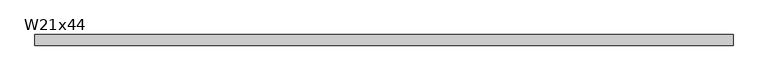
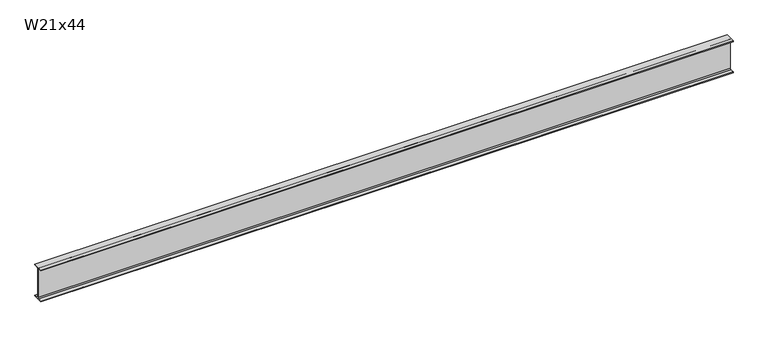
"""IFC4 building model written with IfcOpenShell, lengths in millimetres: beam geometry, W21x44."""

import ifcopenshell
import ifcopenshell.guid

model = None  # the IFC model being written
_history = None  # IfcOwnerHistory: only IFC2X3 demands one
_inside = {}  # id of a spatial element -> (the spatial element, [elements in it])
_under = {}  # id of a project, library or spatial element -> (it, [spatial elements below it])
_declared = {}  # id of a project -> (the project, [libraries it declares])
_typed = {}  # id of a type object -> (the type object, [elements of that type])
_made_of = {}  # id of a material, layer set ... -> (it, [elements and type objects made of it])


def new_model(schema):
    """Start an empty IFC model of exactly this schema.

    Asked for "IFC4X3", IfcOpenShell would pick the latest addendum, in which some entities
    have other attributes; the version numbers below select the first issue.
    IFC2X3 requires an IfcOwnerHistory on every rooted entity: one is made here for all.
    """
    global model, _history
    if schema == "IFC4X3":
        model = ifcopenshell.file(schema_version=(4, 3, 0, 0))
    else:
        model = ifcopenshell.file(schema=schema)
    _inside.clear()
    _under.clear()
    _declared.clear()
    _typed.clear()
    _made_of.clear()
    _history = None
    if model.schema == "IFC2X3":
        org = make("IfcOrganization", Name="unknown")
        user = make(
            "IfcPersonAndOrganization",
            ThePerson=make("IfcPerson", FamilyName="unknown"),
            TheOrganization=org,
        )
        app = make(
            "IfcApplication",
            ApplicationDeveloper=org,
            Version="unknown",
            ApplicationFullName="unknown",
            ApplicationIdentifier="unknown",
        )
        _history = make(
            "IfcOwnerHistory",
            OwningUser=user,
            OwningApplication=app,
            ChangeAction="ADDED",
            CreationDate=0,
        )
    return model


def make(cls, **values):
    """One entity of the class cls with the attributes given. An attribute that is None is left unset."""
    return model.create_entity(
        cls, **{name: value for name, value in values.items() if value is not None}
    )


def rooted(cls, **values):
    """An entity with a GlobalId (a new one), such as an element, a storey or a relation."""
    return make(cls, GlobalId=ifcopenshell.guid.new(), OwnerHistory=_history, **values)


def si_unit(unit_type, name, prefix=None):
    """IfcSIUnit, for example si_unit("LENGTHUNIT", "METRE", prefix="MILLI")."""
    return make("IfcSIUnit", UnitType=unit_type, Prefix=prefix, Name=name)


def assignment(units):
    """IfcUnitAssignment: the units of a project."""
    return None if units is None else make("IfcUnitAssignment", Units=units)


def point(xyz):
    """IfcCartesianPoint."""
    return None if xyz is None else make("IfcCartesianPoint", Coordinates=xyz)


def direction(xyz):
    """IfcDirection."""
    return None if xyz is None else make("IfcDirection", DirectionRatios=xyz)


def frame(location, z_axis=None, x_axis=None):
    """IfcAxis2Placement3D, a coordinate frame: its origin and axes. An axis left out is left unset."""
    return make(
        "IfcAxis2Placement3D",
        Location=point(location),
        Axis=direction(z_axis),
        RefDirection=direction(x_axis),
    )


def frame_2d(location, x_axis=None):
    """IfcAxis2Placement2D, a coordinate frame in the plane: its origin and x axis."""
    return make(
        "IfcAxis2Placement2D", Location=point(location), RefDirection=direction(x_axis)
    )


def origin():
    """The frame at (0, 0, 0) with its axes left unset."""
    return frame((0.0, 0.0, 0.0))


def place(relative_to, where):
    """IfcLocalPlacement: puts the frame where relative to a parent placement (None: the world)."""
    return make(
        "IfcLocalPlacement", PlacementRelTo=relative_to, RelativePlacement=where
    )


def context(
    kind, dimensions, precision=None, world=None, true_north=None, identifier=None
):
    """IfcGeometricRepresentationContext, for example the 3D "Model" context."""
    return make(
        "IfcGeometricRepresentationContext",
        ContextIdentifier=identifier,
        ContextType=kind,
        CoordinateSpaceDimension=dimensions,
        Precision=precision,
        WorldCoordinateSystem=world,
        TrueNorth=true_north,
    )


def project(units=None, contexts=None):
    """IfcProject with its units and contexts."""
    return rooted(
        "IfcProject",
        Name="project",
        RepresentationContexts=contexts,
        UnitsInContext=assignment(units),
    )


def spatial(cls, under=None, at=None, **own):
    """A site, building, storey or space (cls), placed at a placement, below another one or the project."""
    s = rooted(cls, ObjectPlacement=at, **own)
    if under is not None:
        _under.setdefault(under.id(), (under, []))[1].append(s)
    return s


def polyline(points):
    """IfcPolyline through the points."""
    return make("IfcPolyline", Points=[point(p) for p in points])


def circle_curve(where, radius):
    """IfcCircle in the frame where."""
    return make("IfcCircle", Position=where, Radius=radius)


def trimmed(basis, trim1, trim2, sense, master):
    """IfcTrimmedCurve: the piece of a basis curve between two trims."""
    return make(
        "IfcTrimmedCurve",
        BasisCurve=basis,
        Trim1=trim1,
        Trim2=trim2,
        SenseAgreement=sense,
        MasterRepresentation=master,
    )


def segment(curve, same_sense, transition):
    """IfcCompositeCurveSegment."""
    return make(
        "IfcCompositeCurveSegment",
        Transition=transition,
        SameSense=same_sense,
        ParentCurve=curve,
    )


def composite_curve(segments, self_intersect=None):
    """IfcCompositeCurve: segments joined end to end."""
    return make("IfcCompositeCurve", Segments=segments, SelfIntersect=self_intersect)


def outline(outer, holes=None, kind="AREA"):
    """IfcArbitraryClosedProfileDef: a profile drawn as a closed curve; with holes, ...WithVoids."""
    if holes is None:
        return make("IfcArbitraryClosedProfileDef", ProfileType=kind, OuterCurve=outer)
    return make(
        "IfcArbitraryProfileDefWithVoids",
        ProfileType=kind,
        OuterCurve=outer,
        InnerCurves=holes,
    )


def extrude(swept, where, along, depth):
    """IfcExtrudedAreaSolid: the profile swept, set in the frame where, extruded along a direction by depth."""
    return make(
        "IfcExtrudedAreaSolid",
        SweptArea=swept,
        Position=where,
        ExtrudedDirection=direction(along),
        Depth=depth,
    )


def shape(context_of_items, identifier, shape_type, items):
    """IfcShapeRepresentation: the items that make up one representation, for example the "Body"."""
    return make(
        "IfcShapeRepresentation",
        ContextOfItems=context_of_items,
        RepresentationIdentifier=identifier,
        RepresentationType=shape_type,
        Items=items,
    )


def source(mapping_origin, context_of_items, identifier, shape_type, items):
    """IfcRepresentationMap: a shape defined once, which mapped items show again and again."""
    return make(
        "IfcRepresentationMap",
        MappingOrigin=mapping_origin,
        MappedRepresentation=shape(context_of_items, identifier, shape_type, items),
    )


def transform(
    local_origin,
    x_axis=None,
    y_axis=None,
    z_axis=None,
    scale=None,
    scale2=None,
    scale3=None,
    uniform=True,
):
    """IfcCartesianTransformationOperator3D, or its non-uniform kind. x_axis, y_axis, z_axis: its Axis1, 2, 3."""
    if uniform:
        return make(
            "IfcCartesianTransformationOperator3D",
            Axis1=direction(x_axis),
            Axis2=direction(y_axis),
            LocalOrigin=point(local_origin),
            Scale=scale,
            Axis3=direction(z_axis),
        )
    return make(
        "IfcCartesianTransformationOperator3DnonUniform",
        Axis1=direction(x_axis),
        Axis2=direction(y_axis),
        LocalOrigin=point(local_origin),
        Scale=scale,
        Axis3=direction(z_axis),
        Scale2=scale2,
        Scale3=scale3,
    )


def mapped(mapping_source, mapping_target):
    """IfcMappedItem: shows the shape of a source again, moved by a transform."""
    return make(
        "IfcMappedItem", MappingSource=mapping_source, MappingTarget=mapping_target
    )


def made_of(thing, what):
    """Note that an element or type object is made of a material, layer set ...; save() writes the relation."""
    if what is not None:
        _made_of.setdefault(what.id(), (what, []))[1].append(thing)
    return thing


def element(
    cls,
    number,
    at=None,
    inside=None,
    cuts=None,
    type_object=None,
    material=None,
    context=None,
    identifier="Body",
    shape_type=None,
    held_by="IfcProductDefinitionShape",
    body=None,
    shapes=None,
    **own,
):
    """One element of the class cls, such as IfcWall. Its Tag is "e" and its number.

    at: its placement. inside: the storey or other place that contains it. cuts: it is an
    opening in that element (IfcRelVoidsElement). A single representation is given by context,
    identifier, shape_type and body (its items); several are given by shapes. held_by: the class
    of the entity that holds the representations. save() writes the other relations.
    """
    e = rooted(cls, Tag="e%d" % number, ObjectPlacement=at, **own)
    if body is not None:
        shapes = [shape(context, identifier, shape_type, body)]
    if shapes is not None:
        e.Representation = make(held_by, Representations=shapes)
    if inside is not None:
        _inside.setdefault(inside.id(), (inside, []))[1].append(e)
    if cuts is not None:
        rooted(
            "IfcRelVoidsElement", RelatingBuildingElement=cuts, RelatedOpeningElement=e
        )
    if type_object is not None:
        _typed.setdefault(type_object.id(), (type_object, []))[1].append(e)
    return made_of(e, material)


def aggregate(whole, parts):
    """IfcRelAggregates: a whole, such as a stair, and the parts it consists of."""
    return rooted("IfcRelAggregates", RelatingObject=whole, RelatedObjects=parts)


def save(model, path):
    """Write the relations noted so far, then the file.

    IfcRelAggregates (storeys below a building ...), IfcRelContainedInSpatialStructure (elements
    in a storey), IfcRelDefinesByType, IfcRelAssociatesMaterial and IfcRelDeclares: one each for
    every whole, place, type object, material and project.
    """
    for whole, parts in _under.values():
        aggregate(whole, parts)
    for where, things in _inside.values():
        rooted(
            "IfcRelContainedInSpatialStructure",
            RelatedElements=things,
            RelatingStructure=where,
        )
    for kind, things in _typed.values():
        rooted("IfcRelDefinesByType", RelatedObjects=things, RelatingType=kind)
    for what, things in _made_of.values():
        rooted("IfcRelAssociatesMaterial", RelatedObjects=things, RelatingMaterial=what)
    for by, libraries in _declared.values():
        rooted("IfcRelDeclares", RelatingContext=by, RelatedDefinitions=libraries)
    model.write(path)


def w21x44_000ba860(model_context):
    return source(origin(), model_context, "Body", "SweptSolid", [
        extrude(outline(composite_curve([segment(polyline([(82.55, -251.46), (82.55, -262.89), (-82.55, -262.89), (-82.55, -251.46), (-21.59, -251.46)]), True, "CONTINUOUS"), segment(trimmed(circle_curve(frame_2d((-21.59, -234.315)), 17.145), [point((-21.59, -251.46))], [point((-4.445, -234.315))], True, "CARTESIAN"), True, "CONTINUOUS"), segment(polyline([(-4.445, -234.315), (-4.445, 234.315)]), True, "CONTINUOUS"), segment(trimmed(circle_curve(frame_2d((-21.59, 234.315)), 17.145), [point((-4.445, 234.315))], [point((-21.59, 251.46))], True, "CARTESIAN"), True, "CONTINUOUS"), segment(polyline([(-21.59, 251.46), (-82.55, 251.46), (-82.55, 262.89), (82.55, 262.89), (82.55, 251.46), (21.59, 251.46)]), True, "CONTINUOUS"), segment(trimmed(circle_curve(frame_2d((21.59, 234.315)), 17.145), [point((21.59, 251.46))], [point((4.445, 234.315))], True, "CARTESIAN"), True, "CONTINUOUS"), segment(polyline([(4.445, 234.315), (4.445, -234.315)]), True, "CONTINUOUS"), segment(trimmed(circle_curve(frame_2d((21.59, -234.315)), 17.145), [point((4.445, -234.315))], [point((21.59, -251.46))], True, "CARTESIAN"), True, "CONTINUOUS"), segment(polyline([(21.59, -251.46), (82.55, -251.46)]), True, "CONTINUOUS")], self_intersect=False)), frame((-5371.3980081, 0.0, 0.0), z_axis=(1.0, 0.0, 0.0), x_axis=(0.0, 1.0, 0.0)), (0.0, 0.0, 1.0), 10872.8744447),
    ])


if __name__ == "__main__":
    model = new_model("IFC4")
    model_context = context("Model", 3, world=origin())
    ifc_project = project(units=[si_unit("LENGTHUNIT", "METRE", prefix="MILLI")], contexts=[model_context])
    site = spatial("IfcSite", under=ifc_project)
    building = spatial("IfcBuilding", under=site)
    placement = place(None, origin())
    w21x44_shape = w21x44_000ba860(model_context)
    element("IfcBeam", 1, ObjectType="W21x44", at=placement, inside=building, context=model_context, shape_type="MappedRepresentation", body=[
        mapped(w21x44_shape, transform((0.0, 0.0, 0.0), x_axis=(1.0, 0.0, 0.0), y_axis=(0.0, 1.0, 0.0), z_axis=(0.0, 0.0, 1.0))),
    ])
    save(model, "model.ifc")
